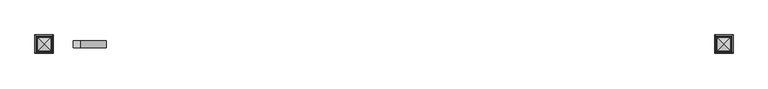
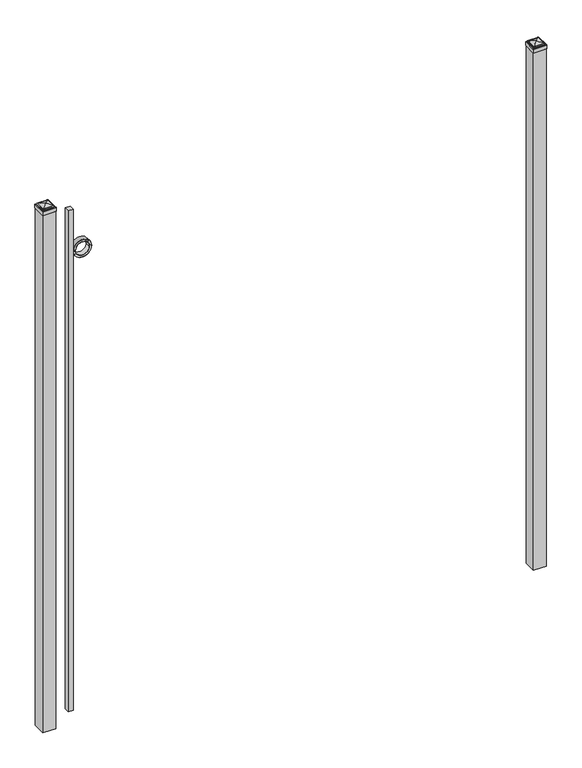
"""IFC4 building model written with IfcOpenShell, lengths in millimetres: railing geometry."""

from ifc_helpers import new_model, si_unit, point, frame, frame_2d, origin, origin_with_axes, place, context, project, spatial, polyline, circle_curve, ellipse_curve, trimmed, segment, composite_curve, outline, extrude, source, transform, mapped, element, save
from ifc_brep_helpers import plane_surface, cylinder_surface, advanced_brep


def railing_6be28a71(model_context):
    return source(origin(), model_context, "Body", "SolidModel", [
        extrude(outline(polyline([(-23766.6899936, 5809.619541), (-23741.2899936, 5809.619541), (-23741.2899936, 5784.219541), (-23766.6899936, 5784.219541), (-23766.6899936, 5809.619541)])), frame((0.0, 0.0, 50.8), z_axis=(0.0, 0.0, 1.0), x_axis=(1.0, 0.0, 0.0)), (0.0, 0.0, 1.0), 2632.8579232),
        extrude(outline(composite_curve([segment(trimmed(circle_curve(frame_2d((2461.3853669, -23695.1942595)), 45.6988591), [point((2461.3853669, -23649.4954004))], [point((2461.3853669, -23740.8931186))], False, "CARTESIAN"), True, "CONTINUOUS"), segment(trimmed(circle_curve(frame_2d((2461.3853669, -23695.1942595)), 45.6988591), [point((2461.3853669, -23740.8931186))], [point((2461.3853669, -23649.4954004))], False, "CARTESIAN"), True, "CONTINUOUS")], self_intersect=False), holes=[composite_curve([segment(trimmed(circle_curve(frame_2d((2461.3853669, -23695.1942595)), 44.101539), [point((2461.3853669, -23651.0927205))], [point((2461.3853669, -23739.2957985))], True, "CARTESIAN"), True, "CONTINUOUS"), segment(trimmed(circle_curve(frame_2d((2461.3853669, -23695.1942595)), 44.101539), [point((2461.3853669, -23739.2957985))], [point((2461.3853669, -23651.0927205))], True, "CARTESIAN"), True, "CONTINUOUS")], self_intersect=False)]), frame((0.0, 5784.219541, 0.0), z_axis=(0.0, 1.0, 0.0), x_axis=(0.0, 0.0, 1.0)), (0.0, 0.0, 1.0), 25.4),
        extrude(outline(composite_curve([segment(trimmed(circle_curve(frame_2d((2461.3853669, -23695.1942595)), 34.6370762), [point((2461.3853669, -23660.5571833))], [point((2461.3853669, -23729.8313357))], False, "CARTESIAN"), True, "CONTINUOUS"), segment(trimmed(circle_curve(frame_2d((2461.3853669, -23695.1942595)), 34.6370762), [point((2461.3853669, -23729.8313357))], [point((2461.3853669, -23660.5571833))], False, "CARTESIAN"), True, "CONTINUOUS")], self_intersect=False), holes=[composite_curve([segment(trimmed(circle_curve(frame_2d((2461.3853669, -23695.1942595)), 33.0443887), [point((2461.3853669, -23662.1498708))], [point((2461.3853669, -23728.2386482))], True, "CARTESIAN"), True, "CONTINUOUS"), segment(trimmed(circle_curve(frame_2d((2461.3853669, -23695.1942595)), 33.0443887), [point((2461.3853669, -23728.2386482))], [point((2461.3853669, -23662.1498708))], True, "CARTESIAN"), True, "CONTINUOUS")], self_intersect=False)]), frame((0.0, 5784.219541, 0.0), z_axis=(0.0, 1.0, 0.0), x_axis=(0.0, 0.0, 1.0)), (0.0, 0.0, 1.0), 25.4),
        extrude(outline(polyline([(-21401.3149936, 5828.669541), (-21401.3149936, 5765.169541), (-21464.8149936, 5765.169541), (-21464.8149936, 5828.669541), (-21401.3149936, 5828.669541)])), origin_with_axes(), (0.0, 0.0, 1.0), 2719.3875),
        advanced_brep(
        [(-21466.4024936, 5830.257041, 2737.64375), (-21466.4024936, 5830.257041, 2719.3875), (-21466.4024936, 5763.582041, 2719.3875), (-21466.4024936, 5763.582041, 2737.64375), (-21464.0212436, 5827.875791, 2740.025), (-21464.0212436, 5765.963291, 2740.025), (-21461.6399936, 5825.494541, 2742.40625), (-21461.6399936, 5825.494541, 2740.025), (-21461.6399936, 5768.344541, 2740.025), (-21461.6399936, 5768.344541, 2742.40625), (-21459.2587436, 5823.113291, 2744.7875), (-21459.2587436, 5770.725791, 2744.7875), (-21433.0649936, 5796.919541, 2751.1375), (-21456.8774936, 5820.732041, 2744.7875), (-21456.8774936, 5773.107041, 2744.7875), (-21399.7274936, 5763.582041, 2719.3875), (-21399.7274936, 5763.582041, 2737.64375), (-21402.1087436, 5765.963291, 2740.025), (-21404.4899936, 5768.344541, 2740.025), (-21404.4899936, 5768.344541, 2742.40625), (-21406.8712436, 5770.725791, 2744.7875), (-21409.2524936, 5773.107041, 2744.7875), (-21399.7274936, 5830.257041, 2719.3875), (-21399.7274936, 5830.257041, 2737.64375), (-21402.1087436, 5827.875791, 2740.025), (-21404.4899936, 5825.494541, 2740.025), (-21404.4899936, 5825.494541, 2742.40625), (-21406.8712436, 5823.113291, 2744.7875), (-21409.2524936, 5820.732041, 2744.7875)],
        [
            (0, 1),
            (1, 2),
            (2, 3),
            (3, 0),
            (4, 0, ellipse_curve(frame((-21464.0212436, 5827.875791, 2737.64375), z_axis=(-0.70710678118655, -0.7071067811865449, 0.0), x_axis=(-0.7071067811865448, 0.7071067811865501, 0.0)), 3.367596, 2.38125)),
            (3, 5, ellipse_curve(frame((-21464.0212436, 5765.963291, 2737.64375), z_axis=(-0.7071067811865449, 0.70710678118655, 0.0), x_axis=(0.7071067811865499, 0.707106781186545, 0.0)), 3.367596, 2.38125)),
            (5, 4),
            (6, 7),
            (7, 8),
            (8, 9),
            (9, 6),
            (10, 6, ellipse_curve(frame((-21459.2587436, 5823.113291, 2742.40625), z_axis=(-0.70710678118655, -0.7071067811865449, 0.0), x_axis=(-0.7071067811865448, 0.7071067811865501, 0.0)), 3.367596, 2.38125)),
            (9, 11, ellipse_curve(frame((-21459.2587436, 5770.725791, 2742.40625), z_axis=(-0.7071067811865449, 0.70710678118655, 0.0), x_axis=(0.7071067811865499, 0.707106781186545, 0.0)), 3.367596, 2.38125)),
            (11, 10),
            (12, 13, ellipse_curve(frame((-21433.0649936, 5796.919541, 2703.3140625), z_axis=(-0.70710678118655, -0.7071067811865449, 0.0), x_axis=(-0.7071067811865448, 0.7071067811865501, 0.0)), 67.6325539, 47.8234375)),
            (13, 14),
            (14, 12, ellipse_curve(frame((-21433.0649936, 5796.919541, 2703.3140625), z_axis=(-0.7071067811865449, 0.70710678118655, 0.0), x_axis=(0.7071067811865499, 0.707106781186545, 0.0)), 67.6325539, 47.8234375)),
            (2, 15),
            (15, 16),
            (16, 3),
            (16, 17, ellipse_curve(frame((-21402.1087436, 5765.963291, 2737.64375), z_axis=(-0.70710678118655, -0.707106781186545, 0.0), x_axis=(-0.707106781186545, 0.70710678118655, 0.0)), 3.367596, 2.38125)),
            (17, 5),
            (8, 18),
            (18, 19),
            (19, 9),
            (19, 20, ellipse_curve(frame((-21406.8712436, 5770.725791, 2742.40625), z_axis=(-0.70710678118655, -0.707106781186545, 0.0), x_axis=(-0.707106781186545, 0.70710678118655, 0.0)), 3.367596, 2.38125)),
            (20, 11),
            (14, 21),
            (21, 12, ellipse_curve(frame((-21433.0649936, 5796.919541, 2703.3140625), z_axis=(-0.70710678118655, -0.707106781186545, 0.0), x_axis=(-0.707106781186545, 0.70710678118655, 0.0)), 67.6325539, 47.8234375)),
            (15, 22),
            (22, 23),
            (23, 16),
            (23, 24, ellipse_curve(frame((-21402.1087436, 5827.875791, 2737.64375), z_axis=(0.707106781186545, -0.7071067811865499, 0.0), x_axis=(-0.7071067811865497, -0.7071067811865452, 0.0)), 3.367596, 2.38125)),
            (24, 17),
            (18, 25),
            (25, 26),
            (26, 19),
            (26, 27, ellipse_curve(frame((-21406.8712436, 5823.113291, 2742.40625), z_axis=(0.707106781186545, -0.7071067811865499, 0.0), x_axis=(-0.7071067811865497, -0.7071067811865452, 0.0)), 3.367596, 2.38125)),
            (27, 20),
            (21, 28),
            (28, 12, ellipse_curve(frame((-21433.0649936, 5796.919541, 2703.3140625), z_axis=(0.707106781186545, -0.7071067811865499, 0.0), x_axis=(-0.7071067811865497, -0.7071067811865452, 0.0)), 67.6325539, 47.8234375)),
            (22, 1),
            (0, 23),
            (4, 24),
            (7, 25),
            (6, 26),
            (10, 27),
            (13, 28),
        ],
        [
            plane_surface(frame((-21466.4024936, 5830.257041, 2719.3875), z_axis=(-1.0, 0.0, 0.0), x_axis=(0.0, -1.0, 0.0))),
            cylinder_surface(frame((-21464.0212436, 5828.669541, 2737.64375), z_axis=(0.0, 1.0, 0.0), x_axis=(1.0, 0.0, 0.0)), 2.38125),
            plane_surface(frame((-21461.6399936, 5825.494541, 2740.025), z_axis=(-1.0, 0.0, 0.0), x_axis=(0.0, -1.0, 0.0))),
            cylinder_surface(frame((-21459.2587436, 5828.669541, 2742.40625), z_axis=(0.0, 1.0, 0.0), x_axis=(1.0, 0.0, 0.0)), 2.38125),
            cylinder_surface(frame((-21433.0649936, 5828.669541, 2703.3140625), z_axis=(0.0, 1.0, 0.0), x_axis=(1.0, 0.0, 0.0)), 47.8234375),
            plane_surface(frame((-21466.4024936, 5763.582041, 2719.3875), z_axis=(0.0, -1.0, 0.0), x_axis=(1.0, 0.0, 0.0))),
            cylinder_surface(frame((-21464.8149936, 5765.963291, 2737.64375), z_axis=(-1.0, 0.0, 0.0), x_axis=(0.0, 1.0, 0.0)), 2.38125),
            plane_surface(frame((-21461.6399936, 5768.344541, 2740.025), z_axis=(0.0, -1.0, 0.0), x_axis=(1.0, 0.0, 0.0))),
            cylinder_surface(frame((-21464.8149936, 5770.725791, 2742.40625), z_axis=(-1.0, 0.0, 0.0), x_axis=(0.0, 1.0, 0.0)), 2.38125),
            cylinder_surface(frame((-21464.8149936, 5796.919541, 2703.3140625), z_axis=(-1.0, 0.0, 0.0), x_axis=(0.0, 1.0, 0.0)), 47.8234375),
            plane_surface(frame((-21399.7274936, 5763.582041, 2719.3875), z_axis=(1.0, 0.0, 0.0), x_axis=(0.0, 1.0, 0.0))),
            cylinder_surface(frame((-21402.1087436, 5765.169541, 2737.64375), z_axis=(0.0, -1.0, 0.0), x_axis=(-1.0, 0.0, 0.0)), 2.38125),
            plane_surface(frame((-21404.4899936, 5768.344541, 2740.025), z_axis=(1.0, 0.0, 0.0), x_axis=(0.0, 1.0, 0.0))),
            cylinder_surface(frame((-21406.8712436, 5765.169541, 2742.40625), z_axis=(0.0, -1.0, 0.0), x_axis=(-1.0, 0.0, 0.0)), 2.38125),
            cylinder_surface(frame((-21433.0649936, 5765.169541, 2703.3140625), z_axis=(0.0, -1.0, 0.0), x_axis=(-1.0, 0.0, 0.0)), 47.8234375),
            plane_surface(frame((-21399.7274936, 5830.257041, 2719.3875), z_axis=(0.0, 1.0, 0.0), x_axis=(-1.0, 0.0, 0.0))),
            cylinder_surface(frame((-21401.3149936, 5827.875791, 2737.64375), z_axis=(1.0, 0.0, 0.0), x_axis=(0.0, -1.0, 0.0)), 2.38125),
            plane_surface(frame((-21402.1087436, 5827.875791, 2740.025), z_axis=(0.0, 0.0, 1.0), x_axis=(-1.0, 0.0, 0.0))),
            plane_surface(frame((-21404.4899936, 5825.494541, 2740.025), z_axis=(0.0, 1.0, 0.0), x_axis=(-1.0, 0.0, 0.0))),
            cylinder_surface(frame((-21401.3149936, 5823.113291, 2742.40625), z_axis=(1.0, 0.0, 0.0), x_axis=(0.0, -1.0, 0.0)), 2.38125),
            plane_surface(frame((-21406.8712436, 5823.113291, 2744.7875), z_axis=(0.0, 0.0, 1.0), x_axis=(-1.0, 0.0, 0.0))),
            cylinder_surface(frame((-21401.3149936, 5796.919541, 2703.3140625), z_axis=(1.0, 0.0, 0.0), x_axis=(0.0, -1.0, 0.0)), 47.8234375),
            plane_surface(frame((-21433.0649936, 5796.919541, 2719.3875), z_axis=(0.0, 0.0, -1.0), x_axis=(-1.0, 0.0, 0.0))),
        ],
        [
            (0, [[1, 2, 3, 4]]),
            (1, [[5, -4, 6, 7]]),
            (2, [[8, 9, 10, 11]]),
            (3, [[12, -11, 13, 14]]),
            (4, [[15, 16, 17]]),
            (5, [[-3, 18, 19, 20]]),
            (6, [[-6, -20, 21, 22]]),
            (7, [[-10, 23, 24, 25]]),
            (8, [[-13, -25, 26, 27]]),
            (9, [[-17, 28, 29]]),
            (10, [[-19, 30, 31, 32]]),
            (11, [[-21, -32, 33, 34]]),
            (12, [[-24, 35, 36, 37]]),
            (13, [[-26, -37, 38, 39]]),
            (14, [[-29, 40, 41]]),
            (15, [[-31, 42, -1, 43]]),
            (16, [[-33, -43, -5, 44]]),
            (17, [[-22, -34, -44, -7], [45, -35, -23, -9]]),
            (18, [[-36, -45, -8, 46]]),
            (19, [[-38, -46, -12, 47]]),
            (20, [[-27, -39, -47, -14], [48, -40, -28, -16]]),
            (21, [[-41, -48, -15]]),
            (22, [[-42, -30, -18, -2]]),
        ],
    ),
        extrude(outline(polyline([(-23839.7149936, 5828.669541), (-23839.7149936, 5765.169541), (-23903.2149936, 5765.169541), (-23903.2149936, 5828.669541), (-23839.7149936, 5828.669541)])), origin_with_axes(), (0.0, 0.0, 1.0), 2719.3875),
        advanced_brep(
        [(-23904.8024936, 5830.257041, 2737.64375), (-23904.8024936, 5830.257041, 2719.3875), (-23904.8024936, 5763.582041, 2719.3875), (-23904.8024936, 5763.582041, 2737.64375), (-23902.4212436, 5827.875791, 2740.025), (-23902.4212436, 5765.963291, 2740.025), (-23900.0399936, 5825.494541, 2742.40625), (-23900.0399936, 5825.494541, 2740.025), (-23900.0399936, 5768.344541, 2740.025), (-23900.0399936, 5768.344541, 2742.40625), (-23897.6587436, 5823.113291, 2744.7875), (-23897.6587436, 5770.725791, 2744.7875), (-23871.4649936, 5796.919541, 2751.1375), (-23895.2774936, 5820.732041, 2744.7875), (-23895.2774936, 5773.107041, 2744.7875), (-23838.1274936, 5763.582041, 2719.3875), (-23838.1274936, 5763.582041, 2737.64375), (-23840.5087436, 5765.963291, 2740.025), (-23842.8899936, 5768.344541, 2740.025), (-23842.8899936, 5768.344541, 2742.40625), (-23845.2712436, 5770.725791, 2744.7875), (-23847.6524936, 5773.107041, 2744.7875), (-23838.1274936, 5830.257041, 2719.3875), (-23838.1274936, 5830.257041, 2737.64375), (-23840.5087436, 5827.875791, 2740.025), (-23842.8899936, 5825.494541, 2740.025), (-23842.8899936, 5825.494541, 2742.40625), (-23845.2712436, 5823.113291, 2744.7875), (-23847.6524936, 5820.732041, 2744.7875)],
        [
            (0, 1),
            (1, 2),
            (2, 3),
            (3, 0),
            (4, 0, ellipse_curve(frame((-23902.4212436, 5827.875791, 2737.64375), z_axis=(-0.70710678118655, -0.7071067811865449, 0.0), x_axis=(-0.7071067811865448, 0.7071067811865501, 0.0)), 3.367596, 2.38125)),
            (3, 5, ellipse_curve(frame((-23902.4212436, 5765.963291, 2737.64375), z_axis=(-0.7071067811865449, 0.70710678118655, 0.0), x_axis=(0.7071067811865499, 0.707106781186545, 0.0)), 3.367596, 2.38125)),
            (5, 4),
            (6, 7),
            (7, 8),
            (8, 9),
            (9, 6),
            (10, 6, ellipse_curve(frame((-23897.6587436, 5823.113291, 2742.40625), z_axis=(-0.70710678118655, -0.7071067811865449, 0.0), x_axis=(-0.7071067811865448, 0.7071067811865501, 0.0)), 3.367596, 2.38125)),
            (9, 11, ellipse_curve(frame((-23897.6587436, 5770.725791, 2742.40625), z_axis=(-0.7071067811865449, 0.70710678118655, 0.0), x_axis=(0.7071067811865499, 0.707106781186545, 0.0)), 3.367596, 2.38125)),
            (11, 10),
            (12, 13, ellipse_curve(frame((-23871.4649936, 5796.919541, 2703.3140625), z_axis=(-0.70710678118655, -0.7071067811865449, 0.0), x_axis=(-0.7071067811865448, 0.7071067811865501, 0.0)), 67.6325539, 47.8234375)),
            (13, 14),
            (14, 12, ellipse_curve(frame((-23871.4649936, 5796.919541, 2703.3140625), z_axis=(-0.7071067811865449, 0.70710678118655, 0.0), x_axis=(0.7071067811865499, 0.707106781186545, 0.0)), 67.6325539, 47.8234375)),
            (2, 15),
            (15, 16),
            (16, 3),
            (16, 17, ellipse_curve(frame((-23840.5087436, 5765.963291, 2737.64375), z_axis=(-0.70710678118655, -0.707106781186545, 0.0), x_axis=(-0.707106781186545, 0.70710678118655, 0.0)), 3.367596, 2.38125)),
            (17, 5),
            (8, 18),
            (18, 19),
            (19, 9),
            (19, 20, ellipse_curve(frame((-23845.2712436, 5770.725791, 2742.40625), z_axis=(-0.70710678118655, -0.707106781186545, 0.0), x_axis=(-0.707106781186545, 0.70710678118655, 0.0)), 3.367596, 2.38125)),
            (20, 11),
            (14, 21),
            (21, 12, ellipse_curve(frame((-23871.4649936, 5796.919541, 2703.3140625), z_axis=(-0.70710678118655, -0.707106781186545, 0.0), x_axis=(-0.707106781186545, 0.70710678118655, 0.0)), 67.6325539, 47.8234375)),
            (15, 22),
            (22, 23),
            (23, 16),
            (23, 24, ellipse_curve(frame((-23840.5087436, 5827.875791, 2737.64375), z_axis=(0.707106781186545, -0.7071067811865499, 0.0), x_axis=(-0.7071067811865497, -0.7071067811865452, 0.0)), 3.367596, 2.38125)),
            (24, 17),
            (18, 25),
            (25, 26),
            (26, 19),
            (26, 27, ellipse_curve(frame((-23845.2712436, 5823.113291, 2742.40625), z_axis=(0.707106781186545, -0.7071067811865499, 0.0), x_axis=(-0.7071067811865497, -0.7071067811865452, 0.0)), 3.367596, 2.38125)),
            (27, 20),
            (21, 28),
            (28, 12, ellipse_curve(frame((-23871.4649936, 5796.919541, 2703.3140625), z_axis=(0.707106781186545, -0.7071067811865499, 0.0), x_axis=(-0.7071067811865497, -0.7071067811865452, 0.0)), 67.6325539, 47.8234375)),
            (22, 1),
            (0, 23),
            (4, 24),
            (7, 25),
            (6, 26),
            (10, 27),
            (13, 28),
        ],
        [
            plane_surface(frame((-23904.8024936, 5830.257041, 2719.3875), z_axis=(-1.0, 0.0, 0.0), x_axis=(0.0, -1.0, 0.0))),
            cylinder_surface(frame((-23902.4212436, 5828.669541, 2737.64375), z_axis=(0.0, 1.0, 0.0), x_axis=(1.0, 0.0, 0.0)), 2.38125),
            plane_surface(frame((-23900.0399936, 5825.494541, 2740.025), z_axis=(-1.0, 0.0, 0.0), x_axis=(0.0, -1.0, 0.0))),
            cylinder_surface(frame((-23897.6587436, 5828.669541, 2742.40625), z_axis=(0.0, 1.0, 0.0), x_axis=(1.0, 0.0, 0.0)), 2.38125),
            cylinder_surface(frame((-23871.4649936, 5828.669541, 2703.3140625), z_axis=(0.0, 1.0, 0.0), x_axis=(1.0, 0.0, 0.0)), 47.8234375),
            plane_surface(frame((-23904.8024936, 5763.582041, 2719.3875), z_axis=(0.0, -1.0, 0.0), x_axis=(1.0, 0.0, 0.0))),
            cylinder_surface(frame((-23903.2149936, 5765.963291, 2737.64375), z_axis=(-1.0, 0.0, 0.0), x_axis=(0.0, 1.0, 0.0)), 2.38125),
            plane_surface(frame((-23900.0399936, 5768.344541, 2740.025), z_axis=(0.0, -1.0, 0.0), x_axis=(1.0, 0.0, 0.0))),
            cylinder_surface(frame((-23903.2149936, 5770.725791, 2742.40625), z_axis=(-1.0, 0.0, 0.0), x_axis=(0.0, 1.0, 0.0)), 2.38125),
            cylinder_surface(frame((-23903.2149936, 5796.919541, 2703.3140625), z_axis=(-1.0, 0.0, 0.0), x_axis=(0.0, 1.0, 0.0)), 47.8234375),
            plane_surface(frame((-23838.1274936, 5763.582041, 2719.3875), z_axis=(1.0, 0.0, 0.0), x_axis=(0.0, 1.0, 0.0))),
            cylinder_surface(frame((-23840.5087436, 5765.169541, 2737.64375), z_axis=(0.0, -1.0, 0.0), x_axis=(-1.0, 0.0, 0.0)), 2.38125),
            plane_surface(frame((-23842.8899936, 5768.344541, 2740.025), z_axis=(1.0, 0.0, 0.0), x_axis=(0.0, 1.0, 0.0))),
            cylinder_surface(frame((-23845.2712436, 5765.169541, 2742.40625), z_axis=(0.0, -1.0, 0.0), x_axis=(-1.0, 0.0, 0.0)), 2.38125),
            cylinder_surface(frame((-23871.4649936, 5765.169541, 2703.3140625), z_axis=(0.0, -1.0, 0.0), x_axis=(-1.0, 0.0, 0.0)), 47.8234375),
            plane_surface(frame((-23838.1274936, 5830.257041, 2719.3875), z_axis=(0.0, 1.0, 0.0), x_axis=(-1.0, 0.0, 0.0))),
            cylinder_surface(frame((-23839.7149936, 5827.875791, 2737.64375), z_axis=(1.0, 0.0, 0.0), x_axis=(0.0, -1.0, 0.0)), 2.38125),
            plane_surface(frame((-23840.5087436, 5827.875791, 2740.025), z_axis=(0.0, 0.0, 1.0), x_axis=(-1.0, 0.0, 0.0))),
            plane_surface(frame((-23842.8899936, 5825.494541, 2740.025), z_axis=(0.0, 1.0, 0.0), x_axis=(-1.0, 0.0, 0.0))),
            cylinder_surface(frame((-23839.7149936, 5823.113291, 2742.40625), z_axis=(1.0, 0.0, 0.0), x_axis=(0.0, -1.0, 0.0)), 2.38125),
            plane_surface(frame((-23845.2712436, 5823.113291, 2744.7875), z_axis=(0.0, 0.0, 1.0), x_axis=(-1.0, 0.0, 0.0))),
            cylinder_surface(frame((-23839.7149936, 5796.919541, 2703.3140625), z_axis=(1.0, 0.0, 0.0), x_axis=(0.0, -1.0, 0.0)), 47.8234375),
            plane_surface(frame((-23871.4649936, 5796.919541, 2719.3875), z_axis=(0.0, 0.0, -1.0), x_axis=(-1.0, 0.0, 0.0))),
        ],
        [
            (0, [[1, 2, 3, 4]]),
            (1, [[5, -4, 6, 7]]),
            (2, [[8, 9, 10, 11]]),
            (3, [[12, -11, 13, 14]]),
            (4, [[15, 16, 17]]),
            (5, [[-3, 18, 19, 20]]),
            (6, [[-6, -20, 21, 22]]),
            (7, [[-10, 23, 24, 25]]),
            (8, [[-13, -25, 26, 27]]),
            (9, [[-17, 28, 29]]),
            (10, [[-19, 30, 31, 32]]),
            (11, [[-21, -32, 33, 34]]),
            (12, [[-24, 35, 36, 37]]),
            (13, [[-26, -37, 38, 39]]),
            (14, [[-29, 40, 41]]),
            (15, [[-31, 42, -1, 43]]),
            (16, [[-33, -43, -5, 44]]),
            (17, [[-22, -34, -44, -7], [45, -35, -23, -9]]),
            (18, [[-36, -45, -8, 46]]),
            (19, [[-38, -46, -12, 47]]),
            (20, [[-27, -39, -47, -14], [48, -40, -28, -16]]),
            (21, [[-41, -48, -15]]),
            (22, [[-42, -30, -18, -2]]),
        ],
    ),
    ])


if __name__ == "__main__":
    model = new_model("IFC4")
    model_context = context("Model", 3, world=origin())
    ifc_project = project(units=[si_unit("LENGTHUNIT", "METRE", prefix="MILLI")], contexts=[model_context])
    site = spatial("IfcSite", under=ifc_project)
    building = spatial("IfcBuilding", under=site)
    placement = place(None, origin())
    railing_shape = railing_6be28a71(model_context)
    element("IfcRailing", 1, at=placement, inside=building, context=model_context, shape_type="MappedRepresentation", body=[
        mapped(railing_shape, transform((0.0, 0.0, 0.0), x_axis=(1.0, 0.0, 0.0), y_axis=(0.0, 1.0, 0.0), z_axis=(0.0, 0.0, 1.0))),
    ])
    save(model, "model.ifc")
